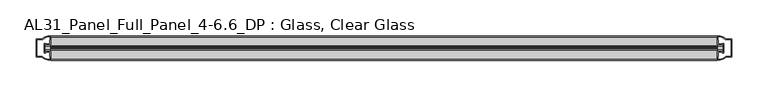
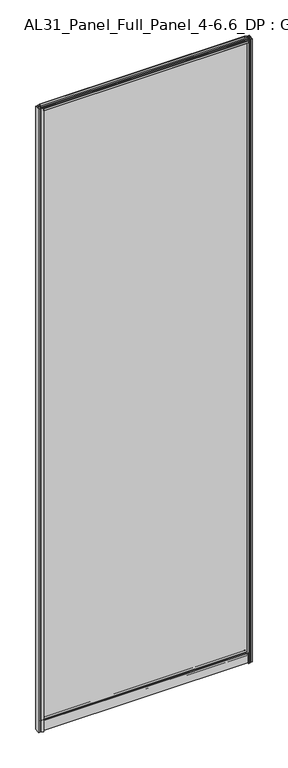
"""IFC4 building model written with IfcOpenShell, lengths in millimetres: plate geometry, AL31_Panel_Full_Panel_4-6.6_DP : Glass, Clear Glass."""

from ifc_helpers import new_model, si_unit, point, frame, frame_2d, origin, origin_with_axes, place, context, project, spatial, polyline, circle_curve, trimmed, segment, composite_curve, outline, extrude, source, transform, mapped, element, save


def al31_panel_full_panel_4_6_6_dp_glass_clear_glass_68ea7a4d(model_context):
    return source(origin(), model_context, "Body", "SweptSolid", [
        extrude(outline(composite_curve([segment(polyline([(18.457, 2964.4553688), (19.007, 2963.5027409)]), True, "CONTINUOUS"), segment(trimmed(circle_curve(frame_2d((19.957, 2961.8572926)), 1.9), [point((19.007, 2963.5027409))], [point((20.907, 2963.5027409))], True, "CARTESIAN"), True, "CONTINUOUS"), segment(polyline([(20.907, 2963.5027409), (21.457, 2964.4553688)]), True, "CONTINUOUS"), segment(trimmed(circle_curve(frame_2d((19.957, 2961.8572926)), 3.0), [point((21.457, 2964.4553688))], [point((22.4288414, 2960.1572926))], False, "CARTESIAN"), True, "CONTINUOUS"), segment(polyline([(22.4288414, 2960.1572926), (35.557, 2960.1572926), (35.557, 2969.5572926), (36.857, 2969.5572926), (36.857, 2959.0572926), (26.5594688, 2959.0572926), (26.5594688, 2958.2572926), (26.0538782, 2956.3357964), (26.0538782, 2951.6572926), (24.857, 2951.6572926), (24.857, 2956.9912672), (25.357, 2957.8572926), (25.357, 2959.0572926), (14.357, 2959.0572926), (14.357, 2957.8572926), (14.857, 2956.9912672), (14.857, 2951.6572926), (13.6601218, 2951.6572926), (13.6601218, 2956.3357964), (13.1545312, 2958.2572926), (13.1545312, 2959.0572926), (2.857, 2959.0572926), (2.857, 2969.5572926), (4.157, 2969.5572926), (4.157, 2960.1572926), (17.4851586, 2960.1572926)]), True, "CONTINUOUS"), segment(trimmed(circle_curve(frame_2d((19.957, 2961.8572926)), 3.0), [point((17.4851586, 2960.1572926))], [point((18.457, 2964.4553688))], False, "CARTESIAN"), True, "CONTINUOUS")], self_intersect=False)), frame((-461.7905022, 0.0, 0.0), z_axis=(1.0, 0.0, 0.0), x_axis=(0.0, 1.0, 0.0)), (0.0, 0.0, 1.0), 923.5810043),
        extrude(outline(composite_curve([segment(trimmed(circle_curve(frame_2d((11.457, 34.8)), 1.0), [point((11.457, 35.8))], [point((10.457, 34.8))], True, "CARTESIAN"), True, "CONTINUOUS"), segment(polyline([(10.457, 34.8), (10.457, 33.5), (14.8569697, 33.5), (14.8569697, 32.3), (10.457, 32.3), (10.457, 0.0), (9.257, 0.0), (9.257, 47.3)]), True, "CONTINUOUS"), segment(trimmed(circle_curve(frame_2d((11.257, 47.3)), 2.0), [point((9.257, 47.3))], [point((11.257, 49.3))], False, "CARTESIAN"), True, "CONTINUOUS"), segment(polyline([(11.257, 49.3), (14.857, 49.3), (14.857, 41.9), (24.857, 41.9), (24.857, 49.3), (28.457, 49.3)]), True, "CONTINUOUS"), segment(trimmed(circle_curve(frame_2d((28.457, 47.3)), 2.0), [point((28.457, 49.3))], [point((30.457, 47.3))], False, "CARTESIAN"), True, "CONTINUOUS"), segment(polyline([(30.457, 47.3), (30.457, 0.0), (29.257, 0.0), (29.257, 32.3), (24.8569697, 32.3), (24.8569697, 33.5), (29.257, 33.5), (29.257, 34.8)]), True, "CONTINUOUS"), segment(trimmed(circle_curve(frame_2d((28.257, 34.8)), 1.0), [point((29.257, 34.8))], [point((28.257, 35.8))], True, "CARTESIAN"), True, "CONTINUOUS"), segment(polyline([(28.257, 35.8), (11.457, 35.8)]), True, "CONTINUOUS")], self_intersect=False), holes=[composite_curve([segment(trimmed(circle_curve(frame_2d((25.3594688, 41.8)), 1.0), [point((26.3594688, 41.8))], [point((25.3594688, 40.8))], False, "CARTESIAN"), True, "CONTINUOUS"), segment(polyline([(25.3594688, 40.8), (22.6578965, 40.8), (22.6578965, 39.7274194), (21.6940508, 39.7274194)]), True, "CONTINUOUS"), segment(trimmed(circle_curve(frame_2d((19.857, 38.7)), 2.1048387), [point((21.6940508, 39.7274194))], [point((18.0199492, 39.7274194))], True, "CARTESIAN"), True, "CONTINUOUS"), segment(polyline([(18.0199492, 39.7274194), (17.0561035, 39.7274194), (17.0561035, 40.8), (14.3545312, 40.8)]), True, "CONTINUOUS"), segment(trimmed(circle_curve(frame_2d((14.3545312, 41.8)), 1.0), [point((14.3545312, 40.8))], [point((13.3545312, 41.8))], False, "CARTESIAN"), True, "CONTINUOUS"), segment(polyline([(13.3545312, 41.8), (13.3545312, 42.7)]), True, "CONTINUOUS"), segment(trimmed(circle_curve(frame_2d((14.5545312, 42.7)), 1.2), [point((13.3545312, 42.7))], [point((13.7371816, 43.5786009))], False, "CARTESIAN"), True, "CONTINUOUS"), segment(polyline([(13.7371816, 43.5786009), (13.7371816, 48.2), (11.457, 48.2)]), True, "CONTINUOUS"), segment(trimmed(circle_curve(frame_2d((11.457, 47.2)), 1.0), [point((11.457, 48.2))], [point((10.457, 47.2))], True, "CARTESIAN"), True, "CONTINUOUS"), segment(polyline([(10.457, 47.2), (10.457, 37.04), (17.0561035, 37.04), (17.0561035, 38.0725806), (18.0199492, 38.0725806)]), True, "CONTINUOUS"), segment(trimmed(circle_curve(frame_2d((19.857, 39.1)), 2.1048387), [point((18.0199492, 38.0725806))], [point((21.6940508, 38.0725806))], True, "CARTESIAN"), True, "CONTINUOUS"), segment(polyline([(21.6940508, 38.0725806), (22.6578965, 38.0725806), (22.6578965, 37.04), (29.257, 37.04), (29.257, 47.2)]), True, "CONTINUOUS"), segment(trimmed(circle_curve(frame_2d((28.257, 47.2)), 1.0), [point((29.257, 47.2))], [point((28.257, 48.2))], True, "CARTESIAN"), True, "CONTINUOUS"), segment(polyline([(28.257, 48.2), (25.9768184, 48.2), (25.9768184, 43.7786009)]), True, "CONTINUOUS"), segment(trimmed(circle_curve(frame_2d((25.1594688, 42.9)), 1.2), [point((25.9768184, 43.7786009))], [point((26.3594688, 42.9))], False, "CARTESIAN"), True, "CONTINUOUS"), segment(polyline([(26.3594688, 42.9), (26.3594688, 41.8)]), True, "CONTINUOUS")], self_intersect=False)]), frame((-461.7905022, 0.0, 0.0), z_axis=(1.0, 0.0, 0.0), x_axis=(0.0, 1.0, 0.0)), (0.0, 0.0, 1.0), 923.5810043),
        extrude(outline(composite_curve([segment(polyline([(-469.6319235, 25.757), (-469.6319235, 13.957), (-468.4319235, 13.957), (-468.4319235, 14.857), (-461.7905022, 14.857), (-461.7905022, 2.8566686)]), True, "CONTINUOUS"), segment(trimmed(circle_curve(frame_2d((-461.4258506, 22.8533441)), 20.0), [point((-461.7905022, 2.8566686))], [point((-473.1463374, 6.6474751))], False, "CARTESIAN"), True, "CONTINUOUS"), segment(polyline([(-473.1463374, 6.6474751), (-473.1463374, 7.4849343), (-481.7905022, 7.4849343), (-481.7905022, 32.1849343), (-473.1463374, 32.1849343), (-473.1463374, 33.0663388)]), True, "CONTINUOUS"), segment(trimmed(circle_curve(frame_2d((-461.4258506, 16.8604698)), 20.0), [point((-473.1463374, 33.0663388))], [point((-461.7905022, 36.8571453))], False, "CARTESIAN"), True, "CONTINUOUS"), segment(polyline([(-461.7905022, 36.8571453), (-461.7905022, 24.857), (-468.4319235, 24.857), (-468.4319235, 25.757), (-469.6319235, 25.757)]), True, "CONTINUOUS")], self_intersect=False), holes=[composite_curve([segment(polyline([(-468.6319235, 12.657), (-470.9319235, 12.657), (-470.9319235, 27.057), (-468.6319235, 27.057)]), True, "CONTINUOUS"), segment(trimmed(circle_curve(frame_2d((-468.6319235, 25.557)), 1.5), [point((-468.6319235, 27.057))], [point((-467.2567718, 26.1561308))], False, "CARTESIAN"), True, "CONTINUOUS"), segment(polyline([(-467.2567718, 26.1561308), (-463.5319235, 26.1561308), (-463.5319235, 30.7520916), (-463.0925837, 31.8127518), (-463.0925837, 35.4628503)]), True, "CONTINUOUS"), segment(trimmed(circle_curve(frame_2d((-461.4258506, 16.8372765)), 18.7), [point((-463.0925837, 35.4628503))], [point((-471.4326283, 32.6345673))], True, "CARTESIAN"), True, "CONTINUOUS"), segment(trimmed(circle_curve(frame_2d((-473.2319235, 32.6849343)), 1.8), [point((-471.4326283, 32.6345673))], [point((-473.2319235, 30.8849343))], False, "CARTESIAN"), True, "CONTINUOUS"), segment(polyline([(-473.2319235, 30.8849343), (-480.4319235, 30.8849343), (-480.4319235, 26.2449987), (-479.9319235, 25.2520916), (-479.9319235, 14.417777), (-480.3733448, 13.3550394), (-480.3733448, 8.7849343), (-473.2319235, 8.7849343)]), True, "CONTINUOUS"), segment(trimmed(circle_curve(frame_2d((-473.2319235, 6.9849343)), 1.8), [point((-473.2319235, 8.7849343))], [point((-471.4326283, 7.0353013))], False, "CARTESIAN"), True, "CONTINUOUS"), segment(trimmed(circle_curve(frame_2d((-461.4258506, 22.8325921)), 18.7), [point((-471.4326283, 7.0353013))], [point((-463.0925837, 4.2070183))], True, "CARTESIAN"), True, "CONTINUOUS"), segment(polyline([(-463.0925837, 4.2070183), (-463.0925837, 7.8571168), (-463.5319235, 8.917777), (-463.5319235, 13.5141269), (-467.2766692, 13.5141269)]), True, "CONTINUOUS"), segment(trimmed(circle_curve(frame_2d((-468.6319235, 14.157)), 1.5), [point((-467.2766692, 13.5141269))], [point((-468.6319235, 12.657))], False, "CARTESIAN"), True, "CONTINUOUS")], self_intersect=False)]), origin_with_axes(), (0.0, 0.0, 1.0), 2969.5572926),
        extrude(outline(composite_curve([segment(polyline([(469.6319235, 13.957), (469.6319235, 25.757), (468.4319235, 25.757), (468.4319235, 24.857), (461.7905022, 24.857), (461.7905022, 36.8573314)]), True, "CONTINUOUS"), segment(trimmed(circle_curve(frame_2d((461.4258506, 16.8606559)), 20.0), [point((461.7905022, 36.8573314))], [point((473.1463374, 33.0665249))], False, "CARTESIAN"), True, "CONTINUOUS"), segment(polyline([(473.1463374, 33.0665249), (473.1463374, 32.2290657), (481.7905022, 32.2290657), (481.7905022, 7.5290657), (473.1463374, 7.5290657), (473.1463374, 6.6476612)]), True, "CONTINUOUS"), segment(trimmed(circle_curve(frame_2d((461.4258506, 22.8535302)), 20.0), [point((473.1463374, 6.6476612))], [point((461.7905022, 2.8568547))], False, "CARTESIAN"), True, "CONTINUOUS"), segment(polyline([(461.7905022, 2.8568547), (461.7905022, 14.857), (468.4319235, 14.857), (468.4319235, 13.957), (469.6319235, 13.957)]), True, "CONTINUOUS")], self_intersect=False), holes=[composite_curve([segment(polyline([(468.6319235, 27.057), (470.9319235, 27.057), (470.9319235, 12.657), (468.6319235, 12.657)]), True, "CONTINUOUS"), segment(trimmed(circle_curve(frame_2d((468.6319235, 14.157)), 1.5), [point((468.6319235, 12.657))], [point((467.2567718, 13.5578692))], False, "CARTESIAN"), True, "CONTINUOUS"), segment(polyline([(467.2567718, 13.5578692), (463.5319235, 13.5578692), (463.5319235, 8.9619084), (463.0925837, 7.9012482), (463.0925837, 4.2511497)]), True, "CONTINUOUS"), segment(trimmed(circle_curve(frame_2d((461.4258506, 22.8767235)), 18.7), [point((463.0925837, 4.2511497))], [point((471.4326283, 7.0794327))], True, "CARTESIAN"), True, "CONTINUOUS"), segment(trimmed(circle_curve(frame_2d((473.2319235, 7.0290657)), 1.8), [point((471.4326283, 7.0794327))], [point((473.2319235, 8.8290657))], False, "CARTESIAN"), True, "CONTINUOUS"), segment(polyline([(473.2319235, 8.8290657), (480.4319235, 8.8290657), (480.4319235, 13.4690013), (479.9319235, 14.4619084), (479.9319235, 25.296223), (480.3733448, 26.3589606), (480.3733448, 30.9290657), (473.2319235, 30.9290657)]), True, "CONTINUOUS"), segment(trimmed(circle_curve(frame_2d((473.2319235, 32.7290657)), 1.8), [point((473.2319235, 30.9290657))], [point((471.4326283, 32.6786987))], False, "CARTESIAN"), True, "CONTINUOUS"), segment(trimmed(circle_curve(frame_2d((461.4258506, 16.8814079)), 18.7), [point((471.4326283, 32.6786987))], [point((463.0925837, 35.5069817))], True, "CARTESIAN"), True, "CONTINUOUS"), segment(polyline([(463.0925837, 35.5069817), (463.0925837, 31.8568832), (463.5319235, 30.796223), (463.5319235, 26.1998731), (467.2766692, 26.1998731)]), True, "CONTINUOUS"), segment(trimmed(circle_curve(frame_2d((468.6319235, 25.557)), 1.5), [point((467.2766692, 26.1998731))], [point((468.6319235, 27.057))], False, "CARTESIAN"), True, "CONTINUOUS")], self_intersect=False)]), origin_with_axes(), (0.0, 0.0, 1.0), 2969.5572926),
        extrude(outline(polyline([(469.6319235, 17.857), (-469.6319235, 17.857), (-469.6319235, 21.857), (469.6319235, 21.857), (469.6319235, 17.857)])), frame((0.0, 0.0, 41.9), z_axis=(0.0, 0.0, 1.0), x_axis=(1.0, 0.0, 0.0)), (0.0, 0.0, 1.0), 2917.1572926),
    ])


if __name__ == "__main__":
    model = new_model("IFC4")
    model_context = context("Model", 3, world=origin())
    ifc_project = project(units=[si_unit("LENGTHUNIT", "METRE", prefix="MILLI")], contexts=[model_context])
    site = spatial("IfcSite", under=ifc_project)
    building = spatial("IfcBuilding", under=site)
    placement = place(None, origin())
    al31_panel_full_panel_4_6_6_dp_glass_clear_glass_shape = al31_panel_full_panel_4_6_6_dp_glass_clear_glass_68ea7a4d(model_context)
    element("IfcPlate", 1, ObjectType="AL31_Panel_Full_Panel_4-6.6_DP : Glass, Clear Glass", at=placement, inside=building, context=model_context, shape_type="MappedRepresentation", body=[
        mapped(al31_panel_full_panel_4_6_6_dp_glass_clear_glass_shape, transform((0.0, 0.0, 0.0), x_axis=(1.0, 0.0, 0.0), y_axis=(0.0, 1.0, 0.0), z_axis=(0.0, 0.0, 1.0))),
    ])
    save(model, "model.ifc")
